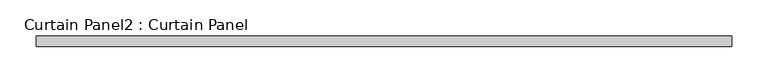
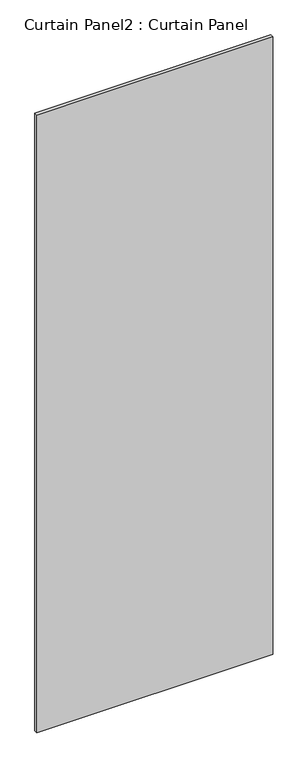
"""IFC4 building model written with IfcOpenShell, lengths in millimetres: plate geometry, Curtain Panel2 : Curtain Panel."""

from ifc_helpers import new_model, si_unit, frame, origin, place, context, project, spatial, polyline, outline, extrude, source, transform, mapped, element, save


def curtain_panel2_curtain_panel_002a571f(model_context):
    return source(origin(), model_context, "Body", "SweptSolid", [
        extrude(outline(polyline([(-61930.6818574, 951.0313826), (-62890.5550457, 951.0313826), (-62890.5550457, 965.3188826), (-61930.6818574, 965.3188826), (-61930.6818574, 951.0313826)])), frame((0.0, 0.0, 227.0318741), z_axis=(0.0, 0.0, 1.0), x_axis=(1.0, 0.0, 0.0)), (0.0, 0.0, 1.0), 2658.2077201),
    ])


if __name__ == "__main__":
    model = new_model("IFC4")
    model_context = context("Model", 3, world=origin())
    ifc_project = project(units=[si_unit("LENGTHUNIT", "METRE", prefix="MILLI")], contexts=[model_context])
    site = spatial("IfcSite", under=ifc_project)
    building = spatial("IfcBuilding", under=site)
    placement = place(None, origin())
    curtain_panel2_curtain_panel_shape = curtain_panel2_curtain_panel_002a571f(model_context)
    element("IfcPlate", 1, ObjectType="Curtain Panel2 : Curtain Panel", at=placement, inside=building, context=model_context, shape_type="MappedRepresentation", body=[
        mapped(curtain_panel2_curtain_panel_shape, transform((0.0, 0.0, 0.0), x_axis=(1.0, 0.0, 0.0), y_axis=(0.0, 1.0, 0.0), z_axis=(0.0, 0.0, 1.0))),
    ])
    save(model, "model.ifc")
